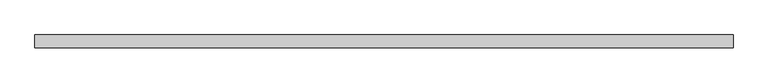
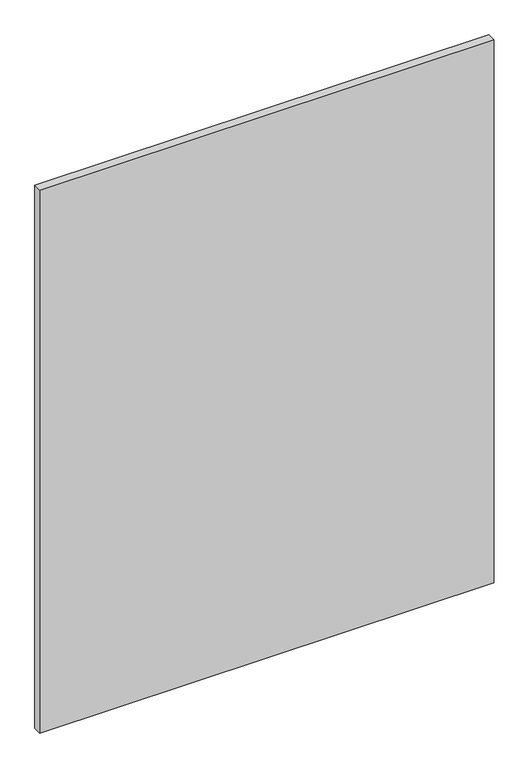
"""IFC4 building model written with IfcOpenShell, lengths in millimetres: plate geometry."""

import ifcopenshell
import ifcopenshell.guid

model = None  # the IFC model being written
_history = None  # IfcOwnerHistory: only IFC2X3 demands one
_inside = {}  # id of a spatial element -> (the spatial element, [elements in it])
_under = {}  # id of a project, library or spatial element -> (it, [spatial elements below it])
_declared = {}  # id of a project -> (the project, [libraries it declares])
_typed = {}  # id of a type object -> (the type object, [elements of that type])
_made_of = {}  # id of a material, layer set ... -> (it, [elements and type objects made of it])


def new_model(schema):
    """Start an empty IFC model of exactly this schema.

    Asked for "IFC4X3", IfcOpenShell would pick the latest addendum, in which some entities
    have other attributes; the version numbers below select the first issue.
    IFC2X3 requires an IfcOwnerHistory on every rooted entity: one is made here for all.
    """
    global model, _history
    if schema == "IFC4X3":
        model = ifcopenshell.file(schema_version=(4, 3, 0, 0))
    else:
        model = ifcopenshell.file(schema=schema)
    _inside.clear()
    _under.clear()
    _declared.clear()
    _typed.clear()
    _made_of.clear()
    _history = None
    if model.schema == "IFC2X3":
        org = make("IfcOrganization", Name="unknown")
        user = make(
            "IfcPersonAndOrganization",
            ThePerson=make("IfcPerson", FamilyName="unknown"),
            TheOrganization=org,
        )
        app = make(
            "IfcApplication",
            ApplicationDeveloper=org,
            Version="unknown",
            ApplicationFullName="unknown",
            ApplicationIdentifier="unknown",
        )
        _history = make(
            "IfcOwnerHistory",
            OwningUser=user,
            OwningApplication=app,
            ChangeAction="ADDED",
            CreationDate=0,
        )
    return model


def make(cls, **values):
    """One entity of the class cls with the attributes given. An attribute that is None is left unset."""
    return model.create_entity(
        cls, **{name: value for name, value in values.items() if value is not None}
    )


def rooted(cls, **values):
    """An entity with a GlobalId (a new one), such as an element, a storey or a relation."""
    return make(cls, GlobalId=ifcopenshell.guid.new(), OwnerHistory=_history, **values)


def si_unit(unit_type, name, prefix=None):
    """IfcSIUnit, for example si_unit("LENGTHUNIT", "METRE", prefix="MILLI")."""
    return make("IfcSIUnit", UnitType=unit_type, Prefix=prefix, Name=name)


def assignment(units):
    """IfcUnitAssignment: the units of a project."""
    return None if units is None else make("IfcUnitAssignment", Units=units)


def point(xyz):
    """IfcCartesianPoint."""
    return None if xyz is None else make("IfcCartesianPoint", Coordinates=xyz)


def direction(xyz):
    """IfcDirection."""
    return None if xyz is None else make("IfcDirection", DirectionRatios=xyz)


def frame(location, z_axis=None, x_axis=None):
    """IfcAxis2Placement3D, a coordinate frame: its origin and axes. An axis left out is left unset."""
    return make(
        "IfcAxis2Placement3D",
        Location=point(location),
        Axis=direction(z_axis),
        RefDirection=direction(x_axis),
    )


def origin():
    """The frame at (0, 0, 0) with its axes left unset."""
    return frame((0.0, 0.0, 0.0))


def origin_with_axes():
    """The frame at (0, 0, 0) with the z axis (0, 0, 1) and the x axis (1, 0, 0) written out."""
    return frame((0.0, 0.0, 0.0), z_axis=(0.0, 0.0, 1.0), x_axis=(1.0, 0.0, 0.0))


def place(relative_to, where):
    """IfcLocalPlacement: puts the frame where relative to a parent placement (None: the world)."""
    return make(
        "IfcLocalPlacement", PlacementRelTo=relative_to, RelativePlacement=where
    )


def context(
    kind, dimensions, precision=None, world=None, true_north=None, identifier=None
):
    """IfcGeometricRepresentationContext, for example the 3D "Model" context."""
    return make(
        "IfcGeometricRepresentationContext",
        ContextIdentifier=identifier,
        ContextType=kind,
        CoordinateSpaceDimension=dimensions,
        Precision=precision,
        WorldCoordinateSystem=world,
        TrueNorth=true_north,
    )


def project(units=None, contexts=None):
    """IfcProject with its units and contexts."""
    return rooted(
        "IfcProject",
        Name="project",
        RepresentationContexts=contexts,
        UnitsInContext=assignment(units),
    )


def spatial(cls, under=None, at=None, **own):
    """A site, building, storey or space (cls), placed at a placement, below another one or the project."""
    s = rooted(cls, ObjectPlacement=at, **own)
    if under is not None:
        _under.setdefault(under.id(), (under, []))[1].append(s)
    return s


def polyline(points):
    """IfcPolyline through the points."""
    return make("IfcPolyline", Points=[point(p) for p in points])


def outline(outer, holes=None, kind="AREA"):
    """IfcArbitraryClosedProfileDef: a profile drawn as a closed curve; with holes, ...WithVoids."""
    if holes is None:
        return make("IfcArbitraryClosedProfileDef", ProfileType=kind, OuterCurve=outer)
    return make(
        "IfcArbitraryProfileDefWithVoids",
        ProfileType=kind,
        OuterCurve=outer,
        InnerCurves=holes,
    )


def extrude(swept, where, along, depth):
    """IfcExtrudedAreaSolid: the profile swept, set in the frame where, extruded along a direction by depth."""
    return make(
        "IfcExtrudedAreaSolid",
        SweptArea=swept,
        Position=where,
        ExtrudedDirection=direction(along),
        Depth=depth,
    )


def shape(context_of_items, identifier, shape_type, items):
    """IfcShapeRepresentation: the items that make up one representation, for example the "Body"."""
    return make(
        "IfcShapeRepresentation",
        ContextOfItems=context_of_items,
        RepresentationIdentifier=identifier,
        RepresentationType=shape_type,
        Items=items,
    )


def source(mapping_origin, context_of_items, identifier, shape_type, items):
    """IfcRepresentationMap: a shape defined once, which mapped items show again and again."""
    return make(
        "IfcRepresentationMap",
        MappingOrigin=mapping_origin,
        MappedRepresentation=shape(context_of_items, identifier, shape_type, items),
    )


def transform(
    local_origin,
    x_axis=None,
    y_axis=None,
    z_axis=None,
    scale=None,
    scale2=None,
    scale3=None,
    uniform=True,
):
    """IfcCartesianTransformationOperator3D, or its non-uniform kind. x_axis, y_axis, z_axis: its Axis1, 2, 3."""
    if uniform:
        return make(
            "IfcCartesianTransformationOperator3D",
            Axis1=direction(x_axis),
            Axis2=direction(y_axis),
            LocalOrigin=point(local_origin),
            Scale=scale,
            Axis3=direction(z_axis),
        )
    return make(
        "IfcCartesianTransformationOperator3DnonUniform",
        Axis1=direction(x_axis),
        Axis2=direction(y_axis),
        LocalOrigin=point(local_origin),
        Scale=scale,
        Axis3=direction(z_axis),
        Scale2=scale2,
        Scale3=scale3,
    )


def mapped(mapping_source, mapping_target):
    """IfcMappedItem: shows the shape of a source again, moved by a transform."""
    return make(
        "IfcMappedItem", MappingSource=mapping_source, MappingTarget=mapping_target
    )


def made_of(thing, what):
    """Note that an element or type object is made of a material, layer set ...; save() writes the relation."""
    if what is not None:
        _made_of.setdefault(what.id(), (what, []))[1].append(thing)
    return thing


def element(
    cls,
    number,
    at=None,
    inside=None,
    cuts=None,
    type_object=None,
    material=None,
    context=None,
    identifier="Body",
    shape_type=None,
    held_by="IfcProductDefinitionShape",
    body=None,
    shapes=None,
    **own,
):
    """One element of the class cls, such as IfcWall. Its Tag is "e" and its number.

    at: its placement. inside: the storey or other place that contains it. cuts: it is an
    opening in that element (IfcRelVoidsElement). A single representation is given by context,
    identifier, shape_type and body (its items); several are given by shapes. held_by: the class
    of the entity that holds the representations. save() writes the other relations.
    """
    e = rooted(cls, Tag="e%d" % number, ObjectPlacement=at, **own)
    if body is not None:
        shapes = [shape(context, identifier, shape_type, body)]
    if shapes is not None:
        e.Representation = make(held_by, Representations=shapes)
    if inside is not None:
        _inside.setdefault(inside.id(), (inside, []))[1].append(e)
    if cuts is not None:
        rooted(
            "IfcRelVoidsElement", RelatingBuildingElement=cuts, RelatedOpeningElement=e
        )
    if type_object is not None:
        _typed.setdefault(type_object.id(), (type_object, []))[1].append(e)
    return made_of(e, material)


def aggregate(whole, parts):
    """IfcRelAggregates: a whole, such as a stair, and the parts it consists of."""
    return rooted("IfcRelAggregates", RelatingObject=whole, RelatedObjects=parts)


def save(model, path):
    """Write the relations noted so far, then the file.

    IfcRelAggregates (storeys below a building ...), IfcRelContainedInSpatialStructure (elements
    in a storey), IfcRelDefinesByType, IfcRelAssociatesMaterial and IfcRelDeclares: one each for
    every whole, place, type object, material and project.
    """
    for whole, parts in _under.values():
        aggregate(whole, parts)
    for where, things in _inside.values():
        rooted(
            "IfcRelContainedInSpatialStructure",
            RelatedElements=things,
            RelatingStructure=where,
        )
    for kind, things in _typed.values():
        rooted("IfcRelDefinesByType", RelatedObjects=things, RelatingType=kind)
    for what, things in _made_of.values():
        rooted("IfcRelAssociatesMaterial", RelatedObjects=things, RelatingMaterial=what)
    for by, libraries in _declared.values():
        rooted("IfcRelDeclares", RelatingContext=by, RelatedDefinitions=libraries)
    model.write(path)


def plate_0ea86636(model_context):
    return source(origin(), model_context, "Body", "SweptSolid", [
        extrude(outline(polyline([(697.1314453, -12.7), (-697.1314453, -12.7), (-697.1314453, 12.7), (697.1314453, 12.7), (697.1314453, -12.7)])), origin_with_axes(), (0.0, 0.0, 1.0), 1761.3),
    ])


if __name__ == "__main__":
    model = new_model("IFC4")
    model_context = context("Model", 3, world=origin())
    ifc_project = project(units=[si_unit("LENGTHUNIT", "METRE", prefix="MILLI")], contexts=[model_context])
    site = spatial("IfcSite", under=ifc_project)
    building = spatial("IfcBuilding", under=site)
    placement = place(None, origin())
    plate_shape = plate_0ea86636(model_context)
    element("IfcPlate", 1, at=placement, inside=building, context=model_context, shape_type="MappedRepresentation", body=[
        mapped(plate_shape, transform((0.0, 0.0, 0.0), x_axis=(1.0, 0.0, 0.0), y_axis=(0.0, 1.0, 0.0), z_axis=(0.0, 0.0, 1.0))),
    ])
    save(model, "model.ifc")
